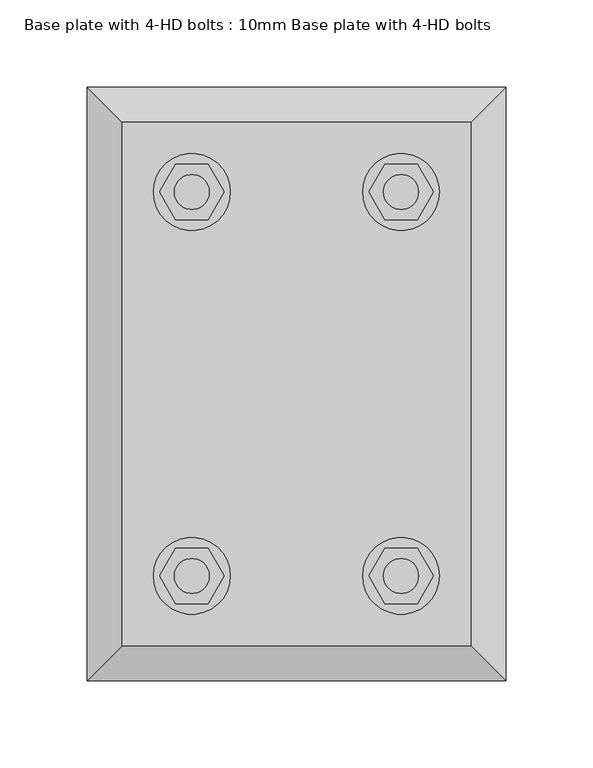
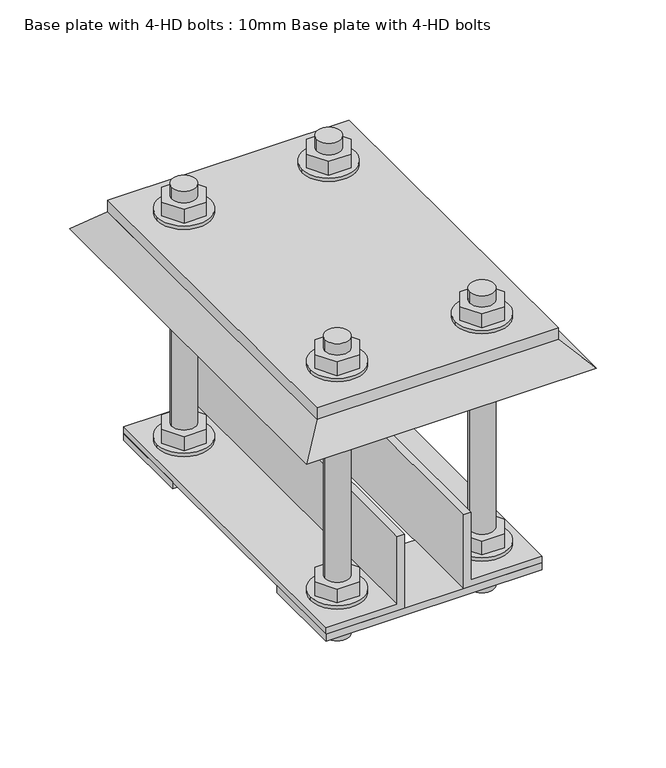
"""IFC4 building model written with IfcOpenShell, lengths in millimetres: proxy geometry, Base plate with 4-HD bolts : 10mm Base plate with 4-HD bolts."""

from ifc_helpers import new_model, si_unit, point, frame, frame_2d, origin, place, context, project, spatial, polyline, circle_curve, trimmed, segment, composite_curve, outline, extrude, faceted_brep, source, transform, mapped, element, save


def base_plate_with_4_hd_bolts_10mm_base_plate_with_4_hd_bolts_1fbca340(model_context):
    return source(origin(), model_context, "Body", "SolidModel", [
        extrude(outline(polyline([(69.2376043, -94.0), (78.4752086, -110.0), (69.2376043, -126.0), (50.7623957, -126.0), (41.5247914, -110.0), (50.7623957, -94.0), (69.2376043, -94.0)]), holes=[composite_curve([segment(trimmed(circle_curve(frame_2d((60.0, -110.0)), 10.0), [point((70.0, -110.0))], [point((50.0, -110.0))], True, "CARTESIAN"), True, "CONTINUOUS"), segment(trimmed(circle_curve(frame_2d((60.0, -110.0)), 10.0), [point((50.0, -110.0))], [point((70.0, -110.0))], True, "CARTESIAN"), True, "CONTINUOUS")], self_intersect=False)]), frame((0.0, 0.0, -166.0), z_axis=(0.0, 0.0, 1.0), x_axis=(1.0, 0.0, 0.0)), (0.0, 0.0, 1.0), 12.0),
        extrude(outline(composite_curve([segment(trimmed(circle_curve(frame_2d((60.0, -110.0)), 22.0), [point((82.0, -110.0))], [point((38.0, -110.0))], False, "CARTESIAN"), True, "CONTINUOUS"), segment(trimmed(circle_curve(frame_2d((60.0, -110.0)), 22.0), [point((38.0, -110.0))], [point((82.0, -110.0))], False, "CARTESIAN"), True, "CONTINUOUS")], self_intersect=False)), frame((0.0, 0.0, -169.0), z_axis=(0.0, 0.0, 1.0), x_axis=(1.0, 0.0, 0.0)), (0.0, 0.0, 1.0), 3.0),
        extrude(outline(polyline([(69.2376043, -94.0), (78.4752086, -110.0), (69.2376043, -126.0), (50.7623957, -126.0), (41.5247914, -110.0), (50.7623957, -94.0), (69.2376043, -94.0)]), holes=[composite_curve([segment(trimmed(circle_curve(frame_2d((60.0, -110.0)), 10.0), [point((70.0, -110.0))], [point((50.0, -110.0))], True, "CARTESIAN"), True, "CONTINUOUS"), segment(trimmed(circle_curve(frame_2d((60.0, -110.0)), 10.0), [point((50.0, -110.0))], [point((70.0, -110.0))], True, "CARTESIAN"), True, "CONTINUOUS")], self_intersect=False)]), frame((0.0, 0.0, -195.9600216), z_axis=(0.0, 0.0, 1.0), x_axis=(1.0, 0.0, 0.0)), (0.0, 0.0, 1.0), 12.0),
        extrude(outline(composite_curve([segment(trimmed(circle_curve(frame_2d((60.0, -110.0)), 22.0), [point((82.0, -110.0))], [point((38.0, -110.0))], False, "CARTESIAN"), True, "CONTINUOUS"), segment(trimmed(circle_curve(frame_2d((60.0, -110.0)), 22.0), [point((38.0, -110.0))], [point((82.0, -110.0))], False, "CARTESIAN"), True, "CONTINUOUS")], self_intersect=False)), frame((0.0, 0.0, -183.9600216), z_axis=(0.0, 0.0, 1.0), x_axis=(1.0, 0.0, 0.0)), (0.0, 0.0, 1.0), 2.9600216),
        extrude(outline(polyline([(69.2376043, 126.0), (78.4752086, 110.0), (69.2376043, 94.0), (50.7623957, 94.0), (41.5247914, 110.0), (50.7623957, 126.0), (69.2376043, 126.0)]), holes=[composite_curve([segment(trimmed(circle_curve(frame_2d((60.0, 110.0)), 10.0), [point((70.0, 110.0))], [point((50.0, 110.0))], True, "CARTESIAN"), True, "CONTINUOUS"), segment(trimmed(circle_curve(frame_2d((60.0, 110.0)), 10.0), [point((50.0, 110.0))], [point((70.0, 110.0))], True, "CARTESIAN"), True, "CONTINUOUS")], self_intersect=False)]), frame((0.0, 0.0, -166.0), z_axis=(0.0, 0.0, 1.0), x_axis=(1.0, 0.0, 0.0)), (0.0, 0.0, 1.0), 12.0),
        extrude(outline(composite_curve([segment(trimmed(circle_curve(frame_2d((60.0, 110.0)), 22.0), [point((82.0, 110.0))], [point((38.0, 110.0))], False, "CARTESIAN"), True, "CONTINUOUS"), segment(trimmed(circle_curve(frame_2d((60.0, 110.0)), 22.0), [point((38.0, 110.0))], [point((82.0, 110.0))], False, "CARTESIAN"), True, "CONTINUOUS")], self_intersect=False)), frame((0.0, 0.0, -169.0), z_axis=(0.0, 0.0, 1.0), x_axis=(1.0, 0.0, 0.0)), (0.0, 0.0, 1.0), 3.0),
        extrude(outline(polyline([(69.2376043, 126.0), (78.4752086, 110.0), (69.2376043, 94.0), (50.7623957, 94.0), (41.5247914, 110.0), (50.7623957, 126.0), (69.2376043, 126.0)]), holes=[composite_curve([segment(trimmed(circle_curve(frame_2d((60.0, 110.0)), 10.0), [point((70.0, 110.0))], [point((50.0, 110.0))], True, "CARTESIAN"), True, "CONTINUOUS"), segment(trimmed(circle_curve(frame_2d((60.0, 110.0)), 10.0), [point((50.0, 110.0))], [point((70.0, 110.0))], True, "CARTESIAN"), True, "CONTINUOUS")], self_intersect=False)]), frame((0.0, 0.0, -195.9600216), z_axis=(0.0, 0.0, 1.0), x_axis=(1.0, 0.0, 0.0)), (0.0, 0.0, 1.0), 12.0),
        extrude(outline(composite_curve([segment(trimmed(circle_curve(frame_2d((60.0, 110.0)), 22.0), [point((82.0, 110.0))], [point((38.0, 110.0))], False, "CARTESIAN"), True, "CONTINUOUS"), segment(trimmed(circle_curve(frame_2d((60.0, 110.0)), 22.0), [point((38.0, 110.0))], [point((82.0, 110.0))], False, "CARTESIAN"), True, "CONTINUOUS")], self_intersect=False)), frame((0.0, 0.0, -183.9600216), z_axis=(0.0, 0.0, 1.0), x_axis=(1.0, 0.0, 0.0)), (0.0, 0.0, 1.0), 2.9600216),
        extrude(outline(polyline([(69.2376043, 126.0), (78.4752086, 110.0), (69.2376043, 94.0), (50.7623957, 94.0), (41.5247914, 110.0), (50.7623957, 126.0), (69.2376043, 126.0)]), holes=[composite_curve([segment(trimmed(circle_curve(frame_2d((60.0, 110.0)), 10.0), [point((70.0, 110.0))], [point((50.0, 110.0))], True, "CARTESIAN"), True, "CONTINUOUS"), segment(trimmed(circle_curve(frame_2d((60.0, 110.0)), 10.0), [point((50.0, 110.0))], [point((70.0, 110.0))], True, "CARTESIAN"), True, "CONTINUOUS")], self_intersect=False)]), frame((0.0, 0.0, 33.0), z_axis=(0.0, 0.0, 1.0), x_axis=(1.0, 0.0, 0.0)), (0.0, 0.0, 1.0), 12.0),
        extrude(outline(composite_curve([segment(trimmed(circle_curve(frame_2d((60.0, 110.0)), 22.0), [point((82.0, 110.0))], [point((38.0, 110.0))], False, "CARTESIAN"), True, "CONTINUOUS"), segment(trimmed(circle_curve(frame_2d((60.0, 110.0)), 22.0), [point((38.0, 110.0))], [point((82.0, 110.0))], False, "CARTESIAN"), True, "CONTINUOUS")], self_intersect=False)), frame((0.0, 0.0, 30.0), z_axis=(0.0, 0.0, 1.0), x_axis=(1.0, 0.0, 0.0)), (0.0, 0.0, 1.0), 3.0),
        extrude(outline(polyline([(69.2376043, -94.0), (78.4752086, -110.0), (69.2376043, -126.0), (50.7623957, -126.0), (41.5247914, -110.0), (50.7623957, -94.0), (69.2376043, -94.0)]), holes=[composite_curve([segment(trimmed(circle_curve(frame_2d((60.0, -110.0)), 10.0), [point((70.0, -110.0))], [point((50.0, -110.0))], True, "CARTESIAN"), True, "CONTINUOUS"), segment(trimmed(circle_curve(frame_2d((60.0, -110.0)), 10.0), [point((50.0, -110.0))], [point((70.0, -110.0))], True, "CARTESIAN"), True, "CONTINUOUS")], self_intersect=False)]), frame((0.0, 0.0, 33.0), z_axis=(0.0, 0.0, 1.0), x_axis=(1.0, 0.0, 0.0)), (0.0, 0.0, 1.0), 12.0),
        extrude(outline(composite_curve([segment(trimmed(circle_curve(frame_2d((60.0, -110.0)), 22.0), [point((82.0, -110.0))], [point((38.0, -110.0))], False, "CARTESIAN"), True, "CONTINUOUS"), segment(trimmed(circle_curve(frame_2d((60.0, -110.0)), 22.0), [point((38.0, -110.0))], [point((82.0, -110.0))], False, "CARTESIAN"), True, "CONTINUOUS")], self_intersect=False)), frame((0.0, 0.0, 30.0), z_axis=(0.0, 0.0, 1.0), x_axis=(1.0, 0.0, 0.0)), (0.0, 0.0, 1.0), 3.0),
        extrude(outline(polyline([(-69.2376043, 126.0), (-50.7623957, 126.0), (-41.5247914, 110.0), (-50.7623957, 94.0), (-69.2376043, 94.0), (-78.4752086, 110.0), (-69.2376043, 126.0)]), holes=[composite_curve([segment(trimmed(circle_curve(frame_2d((-60.0, 110.0)), 10.0), [point((-70.0, 110.0))], [point((-50.0, 110.0))], True, "CARTESIAN"), True, "CONTINUOUS"), segment(trimmed(circle_curve(frame_2d((-60.0, 110.0)), 10.0), [point((-50.0, 110.0))], [point((-70.0, 110.0))], True, "CARTESIAN"), True, "CONTINUOUS")], self_intersect=False)]), frame((0.0, 0.0, -166.0), z_axis=(0.0, 0.0, 1.0), x_axis=(1.0, 0.0, 0.0)), (0.0, 0.0, 1.0), 12.0),
        extrude(outline(composite_curve([segment(trimmed(circle_curve(frame_2d((-60.0, 110.0)), 22.0), [point((-82.0, 110.0))], [point((-38.0, 110.0))], False, "CARTESIAN"), True, "CONTINUOUS"), segment(trimmed(circle_curve(frame_2d((-60.0, 110.0)), 22.0), [point((-38.0, 110.0))], [point((-82.0, 110.0))], False, "CARTESIAN"), True, "CONTINUOUS")], self_intersect=False)), frame((0.0, 0.0, -169.0), z_axis=(0.0, 0.0, 1.0), x_axis=(1.0, 0.0, 0.0)), (0.0, 0.0, 1.0), 3.0),
        extrude(outline(polyline([(-69.2376043, 126.0), (-50.7623957, 126.0), (-41.5247914, 110.0), (-50.7623957, 94.0), (-69.2376043, 94.0), (-78.4752086, 110.0), (-69.2376043, 126.0)]), holes=[composite_curve([segment(trimmed(circle_curve(frame_2d((-60.0, 110.0)), 10.0), [point((-70.0, 110.0))], [point((-50.0, 110.0))], True, "CARTESIAN"), True, "CONTINUOUS"), segment(trimmed(circle_curve(frame_2d((-60.0, 110.0)), 10.0), [point((-50.0, 110.0))], [point((-70.0, 110.0))], True, "CARTESIAN"), True, "CONTINUOUS")], self_intersect=False)]), frame((0.0, 0.0, -195.9600216), z_axis=(0.0, 0.0, 1.0), x_axis=(1.0, 0.0, 0.0)), (0.0, 0.0, 1.0), 12.0),
        extrude(outline(composite_curve([segment(trimmed(circle_curve(frame_2d((-60.0, 110.0)), 22.0), [point((-82.0, 110.0))], [point((-38.0, 110.0))], False, "CARTESIAN"), True, "CONTINUOUS"), segment(trimmed(circle_curve(frame_2d((-60.0, 110.0)), 22.0), [point((-38.0, 110.0))], [point((-82.0, 110.0))], False, "CARTESIAN"), True, "CONTINUOUS")], self_intersect=False)), frame((0.0, 0.0, -183.9600216), z_axis=(0.0, 0.0, 1.0), x_axis=(1.0, 0.0, 0.0)), (0.0, 0.0, 1.0), 2.9600216),
        extrude(outline(polyline([(-69.2376043, 126.0), (-50.7623957, 126.0), (-41.5247914, 110.0), (-50.7623957, 94.0), (-69.2376043, 94.0), (-78.4752086, 110.0), (-69.2376043, 126.0)]), holes=[composite_curve([segment(trimmed(circle_curve(frame_2d((-60.0, 110.0)), 10.0), [point((-70.0, 110.0))], [point((-50.0, 110.0))], True, "CARTESIAN"), True, "CONTINUOUS"), segment(trimmed(circle_curve(frame_2d((-60.0, 110.0)), 10.0), [point((-50.0, 110.0))], [point((-70.0, 110.0))], True, "CARTESIAN"), True, "CONTINUOUS")], self_intersect=False)]), frame((0.0, 0.0, 33.0), z_axis=(0.0, 0.0, 1.0), x_axis=(1.0, 0.0, 0.0)), (0.0, 0.0, 1.0), 12.0),
        extrude(outline(composite_curve([segment(trimmed(circle_curve(frame_2d((-60.0, 110.0)), 22.0), [point((-82.0, 110.0))], [point((-38.0, 110.0))], False, "CARTESIAN"), True, "CONTINUOUS"), segment(trimmed(circle_curve(frame_2d((-60.0, 110.0)), 22.0), [point((-38.0, 110.0))], [point((-82.0, 110.0))], False, "CARTESIAN"), True, "CONTINUOUS")], self_intersect=False)), frame((0.0, 0.0, 30.0), z_axis=(0.0, 0.0, 1.0), x_axis=(1.0, 0.0, 0.0)), (0.0, 0.0, 1.0), 3.0),
        extrude(outline(polyline([(-69.2376043, -94.0), (-50.7623957, -94.0), (-41.5247914, -110.0), (-50.7623957, -126.0), (-69.2376043, -126.0), (-78.4752086, -110.0), (-69.2376043, -94.0)]), holes=[composite_curve([segment(trimmed(circle_curve(frame_2d((-60.0, -110.0)), 10.0), [point((-70.0, -110.0))], [point((-50.0, -110.0))], True, "CARTESIAN"), True, "CONTINUOUS"), segment(trimmed(circle_curve(frame_2d((-60.0, -110.0)), 10.0), [point((-50.0, -110.0))], [point((-70.0, -110.0))], True, "CARTESIAN"), True, "CONTINUOUS")], self_intersect=False)]), frame((0.0, 0.0, -166.0), z_axis=(0.0, 0.0, 1.0), x_axis=(1.0, 0.0, 0.0)), (0.0, 0.0, 1.0), 12.0),
        extrude(outline(composite_curve([segment(trimmed(circle_curve(frame_2d((-60.0, -110.0)), 22.0), [point((-82.0, -110.0))], [point((-38.0, -110.0))], False, "CARTESIAN"), True, "CONTINUOUS"), segment(trimmed(circle_curve(frame_2d((-60.0, -110.0)), 22.0), [point((-38.0, -110.0))], [point((-82.0, -110.0))], False, "CARTESIAN"), True, "CONTINUOUS")], self_intersect=False)), frame((0.0, 0.0, -169.0), z_axis=(0.0, 0.0, 1.0), x_axis=(1.0, 0.0, 0.0)), (0.0, 0.0, 1.0), 3.0),
        extrude(outline(polyline([(-69.2376043, -94.0), (-50.7623957, -94.0), (-41.5247914, -110.0), (-50.7623957, -126.0), (-69.2376043, -126.0), (-78.4752086, -110.0), (-69.2376043, -94.0)]), holes=[composite_curve([segment(trimmed(circle_curve(frame_2d((-60.0, -110.0)), 10.0), [point((-70.0, -110.0))], [point((-50.0, -110.0))], True, "CARTESIAN"), True, "CONTINUOUS"), segment(trimmed(circle_curve(frame_2d((-60.0, -110.0)), 10.0), [point((-50.0, -110.0))], [point((-70.0, -110.0))], True, "CARTESIAN"), True, "CONTINUOUS")], self_intersect=False)]), frame((0.0, 0.0, -195.9600216), z_axis=(0.0, 0.0, 1.0), x_axis=(1.0, 0.0, 0.0)), (0.0, 0.0, 1.0), 12.0),
        extrude(outline(composite_curve([segment(trimmed(circle_curve(frame_2d((-60.0, -110.0)), 22.0), [point((-82.0, -110.0))], [point((-38.0, -110.0))], False, "CARTESIAN"), True, "CONTINUOUS"), segment(trimmed(circle_curve(frame_2d((-60.0, -110.0)), 22.0), [point((-38.0, -110.0))], [point((-82.0, -110.0))], False, "CARTESIAN"), True, "CONTINUOUS")], self_intersect=False)), frame((0.0, 0.0, -183.9600216), z_axis=(0.0, 0.0, 1.0), x_axis=(1.0, 0.0, 0.0)), (0.0, 0.0, 1.0), 2.9600216),
        extrude(outline(polyline([(-69.2376043, -94.0), (-50.7623957, -94.0), (-41.5247914, -110.0), (-50.7623957, -126.0), (-69.2376043, -126.0), (-78.4752086, -110.0), (-69.2376043, -94.0)]), holes=[composite_curve([segment(trimmed(circle_curve(frame_2d((-60.0, -110.0)), 10.0), [point((-70.0, -110.0))], [point((-50.0, -110.0))], True, "CARTESIAN"), True, "CONTINUOUS"), segment(trimmed(circle_curve(frame_2d((-60.0, -110.0)), 10.0), [point((-50.0, -110.0))], [point((-70.0, -110.0))], True, "CARTESIAN"), True, "CONTINUOUS")], self_intersect=False)]), frame((0.0, 0.0, 33.0), z_axis=(0.0, 0.0, 1.0), x_axis=(1.0, 0.0, 0.0)), (0.0, 0.0, 1.0), 12.0),
        extrude(outline(composite_curve([segment(trimmed(circle_curve(frame_2d((-60.0, -110.0)), 22.0), [point((-82.0, -110.0))], [point((-38.0, -110.0))], False, "CARTESIAN"), True, "CONTINUOUS"), segment(trimmed(circle_curve(frame_2d((-60.0, -110.0)), 22.0), [point((-38.0, -110.0))], [point((-82.0, -110.0))], False, "CARTESIAN"), True, "CONTINUOUS")], self_intersect=False)), frame((0.0, 0.0, 30.0), z_axis=(0.0, 0.0, 1.0), x_axis=(1.0, 0.0, 0.0)), (0.0, 0.0, 1.0), 3.0),
        extrude(outline(polyline([(89.5, -75.0), (89.5, -145.0), (-89.5, -145.0), (-89.5, -75.0), (89.5, -75.0)])), frame((0.0, 0.0, -181.0), z_axis=(0.0, 0.0, 1.0), x_axis=(1.0, 0.0, 0.0)), (0.0, 0.0, 1.0), 6.0),
        extrude(outline(polyline([(89.5, 145.0), (89.5, 75.0), (-89.5, 75.0), (-89.5, 145.0), (89.5, 145.0)])), frame((0.0, 0.0, -181.0), z_axis=(0.0, 0.0, 1.0), x_axis=(1.0, 0.0, 0.0)), (0.0, 0.0, 1.0), 6.0),
        extrude(outline(composite_curve([segment(trimmed(circle_curve(frame_2d((60.0, -110.0)), 10.0), [point((70.0, -110.0))], [point((50.0, -110.0))], False, "CARTESIAN"), True, "CONTINUOUS"), segment(trimmed(circle_curve(frame_2d((60.0, -110.0)), 10.0), [point((50.0, -110.0))], [point((70.0, -110.0))], False, "CARTESIAN"), True, "CONTINUOUS")], self_intersect=False)), frame((0.0, 0.0, -205.0), z_axis=(0.0, 0.0, 1.0), x_axis=(1.0, 0.0, 0.0)), (0.0, 0.0, 1.0), 260.0),
        extrude(outline(polyline([(-175.0, 89.5), (-169.0, 89.5), (-169.0, 30.5), (-110.0, 30.5), (-110.0, 24.5), (-175.0, 24.5), (-175.0, 89.5)])), frame((0.0, -145.0, 0.0), z_axis=(0.0, 1.0, 0.0), x_axis=(0.0, 0.0, 1.0)), (0.0, 0.0, 1.0), 290.0),
        extrude(outline(composite_curve([segment(trimmed(circle_curve(frame_2d((60.0, 110.0)), 10.0), [point((70.0, 110.0))], [point((50.0, 110.0))], False, "CARTESIAN"), True, "CONTINUOUS"), segment(trimmed(circle_curve(frame_2d((60.0, 110.0)), 10.0), [point((50.0, 110.0))], [point((70.0, 110.0))], False, "CARTESIAN"), True, "CONTINUOUS")], self_intersect=False)), frame((0.0, 0.0, -205.0), z_axis=(0.0, 0.0, 1.0), x_axis=(1.0, 0.0, 0.0)), (0.0, 0.0, 1.0), 260.0),
        extrude(outline(polyline([(-175.0, -89.5), (-175.0, -24.5), (-110.0, -24.5), (-110.0, -30.5), (-169.0, -30.5), (-169.0, -89.5), (-175.0, -89.5)])), frame((0.0, -145.0, 0.0), z_axis=(0.0, 1.0, 0.0), x_axis=(0.0, 0.0, 1.0)), (0.0, 0.0, 1.0), 290.0),
        extrude(outline(composite_curve([segment(trimmed(circle_curve(frame_2d((-60.0, 110.0)), 10.0), [point((-70.0, 110.0))], [point((-50.0, 110.0))], False, "CARTESIAN"), True, "CONTINUOUS"), segment(trimmed(circle_curve(frame_2d((-60.0, 110.0)), 10.0), [point((-50.0, 110.0))], [point((-70.0, 110.0))], False, "CARTESIAN"), True, "CONTINUOUS")], self_intersect=False)), frame((0.0, 0.0, -205.0), z_axis=(0.0, 0.0, 1.0), x_axis=(1.0, 0.0, 0.0)), (0.0, 0.0, 1.0), 260.0),
        extrude(outline(composite_curve([segment(trimmed(circle_curve(frame_2d((-60.0, -110.0)), 10.0), [point((-70.0, -110.0))], [point((-50.0, -110.0))], False, "CARTESIAN"), True, "CONTINUOUS"), segment(trimmed(circle_curve(frame_2d((-60.0, -110.0)), 10.0), [point((-50.0, -110.0))], [point((-70.0, -110.0))], False, "CARTESIAN"), True, "CONTINUOUS")], self_intersect=False)), frame((0.0, 0.0, -205.0), z_axis=(0.0, 0.0, 1.0), x_axis=(1.0, 0.0, 0.0)), (0.0, 0.0, 1.0), 260.0),
        extrude(outline(polyline([(100.0, 150.0), (100.0, -150.0), (-100.0, -150.0), (-100.0, 150.0), (100.0, 150.0)])), frame((0.0, 0.0, 20.0), z_axis=(0.0, 0.0, 1.0), x_axis=(1.0, 0.0, 0.0)), (0.0, 0.0, 1.0), 10.0),
        faceted_brep([(100.0, 150.0, 20.0), (-100.0, 150.0, 20.0), (-100.0, -150.0, 20.0), (100.0, -150.0, 20.0), (120.0, 170.0, 0.0), (120.0, -170.0, 0.0), (-120.0, -170.0, 0.0), (-120.0, 170.0, 0.0)], [[[0, 1, 2, 3]], [[4, 5, 6, 7]], [[4, 7, 1, 0]], [[7, 6, 2, 1]], [[6, 5, 3, 2]], [[5, 4, 0, 3]]]),
    ])


if __name__ == "__main__":
    model = new_model("IFC4")
    model_context = context("Model", 3, world=origin())
    ifc_project = project(units=[si_unit("LENGTHUNIT", "METRE", prefix="MILLI")], contexts=[model_context])
    site = spatial("IfcSite", under=ifc_project)
    building = spatial("IfcBuilding", under=site)
    placement = place(None, origin())
    base_plate_with_4_hd_bolts_10mm_base_plate_with_4_hd_bolts_shape = base_plate_with_4_hd_bolts_10mm_base_plate_with_4_hd_bolts_1fbca340(model_context)
    element("IfcBuildingElementProxy", 1, Name="Base plate with 4-HD bolts : 10mm Base plate with 4-HD bolts", ObjectType="Base plate with 4-HD bolts : 10mm Base plate with 4-HD bolts", at=placement, inside=building, context=model_context, shape_type="MappedRepresentation", body=[
        mapped(base_plate_with_4_hd_bolts_10mm_base_plate_with_4_hd_bolts_shape, transform((0.0, 0.0, 0.0), x_axis=(1.0, 0.0, 0.0), y_axis=(0.0, 1.0, 0.0), z_axis=(0.0, 0.0, 1.0))),
    ])
    save(model, "model.ifc")
